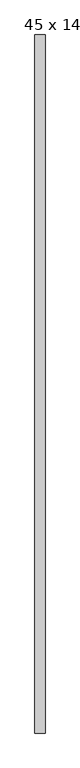
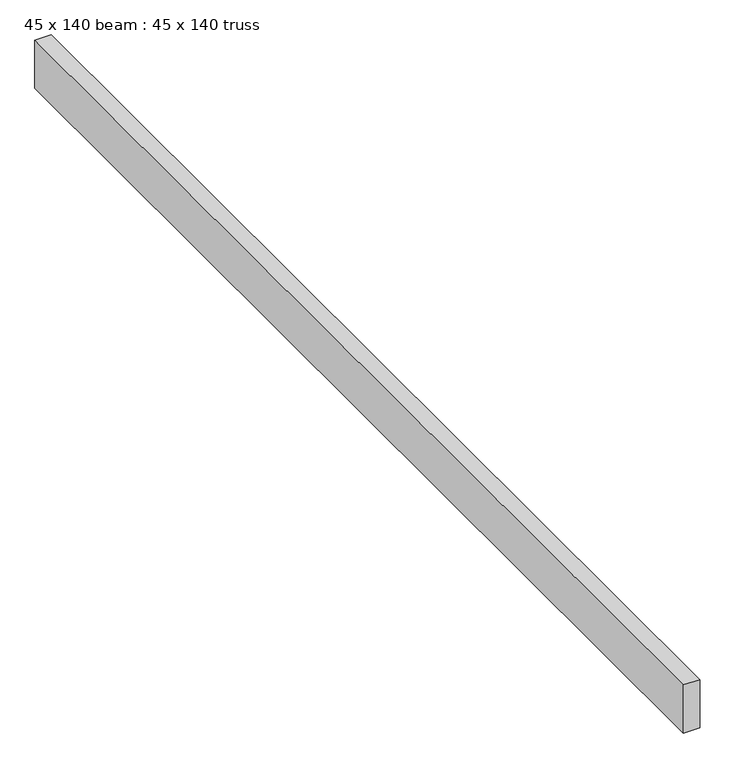
"""IFC4 building model written with IfcOpenShell, lengths in millimetres: proxy geometry, 45 x 140 beam : 45 x 140 truss."""

import ifcopenshell
import ifcopenshell.guid

model = None  # the IFC model being written
_history = None  # IfcOwnerHistory: only IFC2X3 demands one
_inside = {}  # id of a spatial element -> (the spatial element, [elements in it])
_under = {}  # id of a project, library or spatial element -> (it, [spatial elements below it])
_declared = {}  # id of a project -> (the project, [libraries it declares])
_typed = {}  # id of a type object -> (the type object, [elements of that type])
_made_of = {}  # id of a material, layer set ... -> (it, [elements and type objects made of it])


def new_model(schema):
    """Start an empty IFC model of exactly this schema.

    Asked for "IFC4X3", IfcOpenShell would pick the latest addendum, in which some entities
    have other attributes; the version numbers below select the first issue.
    IFC2X3 requires an IfcOwnerHistory on every rooted entity: one is made here for all.
    """
    global model, _history
    if schema == "IFC4X3":
        model = ifcopenshell.file(schema_version=(4, 3, 0, 0))
    else:
        model = ifcopenshell.file(schema=schema)
    _inside.clear()
    _under.clear()
    _declared.clear()
    _typed.clear()
    _made_of.clear()
    _history = None
    if model.schema == "IFC2X3":
        org = make("IfcOrganization", Name="unknown")
        user = make(
            "IfcPersonAndOrganization",
            ThePerson=make("IfcPerson", FamilyName="unknown"),
            TheOrganization=org,
        )
        app = make(
            "IfcApplication",
            ApplicationDeveloper=org,
            Version="unknown",
            ApplicationFullName="unknown",
            ApplicationIdentifier="unknown",
        )
        _history = make(
            "IfcOwnerHistory",
            OwningUser=user,
            OwningApplication=app,
            ChangeAction="ADDED",
            CreationDate=0,
        )
    return model


def make(cls, **values):
    """One entity of the class cls with the attributes given. An attribute that is None is left unset."""
    return model.create_entity(
        cls, **{name: value for name, value in values.items() if value is not None}
    )


def rooted(cls, **values):
    """An entity with a GlobalId (a new one), such as an element, a storey or a relation."""
    return make(cls, GlobalId=ifcopenshell.guid.new(), OwnerHistory=_history, **values)


def si_unit(unit_type, name, prefix=None):
    """IfcSIUnit, for example si_unit("LENGTHUNIT", "METRE", prefix="MILLI")."""
    return make("IfcSIUnit", UnitType=unit_type, Prefix=prefix, Name=name)


def assignment(units):
    """IfcUnitAssignment: the units of a project."""
    return None if units is None else make("IfcUnitAssignment", Units=units)


def point(xyz):
    """IfcCartesianPoint."""
    return None if xyz is None else make("IfcCartesianPoint", Coordinates=xyz)


def direction(xyz):
    """IfcDirection."""
    return None if xyz is None else make("IfcDirection", DirectionRatios=xyz)


def frame(location, z_axis=None, x_axis=None):
    """IfcAxis2Placement3D, a coordinate frame: its origin and axes. An axis left out is left unset."""
    return make(
        "IfcAxis2Placement3D",
        Location=point(location),
        Axis=direction(z_axis),
        RefDirection=direction(x_axis),
    )


def origin():
    """The frame at (0, 0, 0) with its axes left unset."""
    return frame((0.0, 0.0, 0.0))


def place(relative_to, where):
    """IfcLocalPlacement: puts the frame where relative to a parent placement (None: the world)."""
    return make(
        "IfcLocalPlacement", PlacementRelTo=relative_to, RelativePlacement=where
    )


def context(
    kind, dimensions, precision=None, world=None, true_north=None, identifier=None
):
    """IfcGeometricRepresentationContext, for example the 3D "Model" context."""
    return make(
        "IfcGeometricRepresentationContext",
        ContextIdentifier=identifier,
        ContextType=kind,
        CoordinateSpaceDimension=dimensions,
        Precision=precision,
        WorldCoordinateSystem=world,
        TrueNorth=true_north,
    )


def project(units=None, contexts=None):
    """IfcProject with its units and contexts."""
    return rooted(
        "IfcProject",
        Name="project",
        RepresentationContexts=contexts,
        UnitsInContext=assignment(units),
    )


def spatial(cls, under=None, at=None, **own):
    """A site, building, storey or space (cls), placed at a placement, below another one or the project."""
    s = rooted(cls, ObjectPlacement=at, **own)
    if under is not None:
        _under.setdefault(under.id(), (under, []))[1].append(s)
    return s


def polyline(points):
    """IfcPolyline through the points."""
    return make("IfcPolyline", Points=[point(p) for p in points])


def outline(outer, holes=None, kind="AREA"):
    """IfcArbitraryClosedProfileDef: a profile drawn as a closed curve; with holes, ...WithVoids."""
    if holes is None:
        return make("IfcArbitraryClosedProfileDef", ProfileType=kind, OuterCurve=outer)
    return make(
        "IfcArbitraryProfileDefWithVoids",
        ProfileType=kind,
        OuterCurve=outer,
        InnerCurves=holes,
    )


def extrude(swept, where, along, depth):
    """IfcExtrudedAreaSolid: the profile swept, set in the frame where, extruded along a direction by depth."""
    return make(
        "IfcExtrudedAreaSolid",
        SweptArea=swept,
        Position=where,
        ExtrudedDirection=direction(along),
        Depth=depth,
    )


def shape(context_of_items, identifier, shape_type, items):
    """IfcShapeRepresentation: the items that make up one representation, for example the "Body"."""
    return make(
        "IfcShapeRepresentation",
        ContextOfItems=context_of_items,
        RepresentationIdentifier=identifier,
        RepresentationType=shape_type,
        Items=items,
    )


def source(mapping_origin, context_of_items, identifier, shape_type, items):
    """IfcRepresentationMap: a shape defined once, which mapped items show again and again."""
    return make(
        "IfcRepresentationMap",
        MappingOrigin=mapping_origin,
        MappedRepresentation=shape(context_of_items, identifier, shape_type, items),
    )


def transform(
    local_origin,
    x_axis=None,
    y_axis=None,
    z_axis=None,
    scale=None,
    scale2=None,
    scale3=None,
    uniform=True,
):
    """IfcCartesianTransformationOperator3D, or its non-uniform kind. x_axis, y_axis, z_axis: its Axis1, 2, 3."""
    if uniform:
        return make(
            "IfcCartesianTransformationOperator3D",
            Axis1=direction(x_axis),
            Axis2=direction(y_axis),
            LocalOrigin=point(local_origin),
            Scale=scale,
            Axis3=direction(z_axis),
        )
    return make(
        "IfcCartesianTransformationOperator3DnonUniform",
        Axis1=direction(x_axis),
        Axis2=direction(y_axis),
        LocalOrigin=point(local_origin),
        Scale=scale,
        Axis3=direction(z_axis),
        Scale2=scale2,
        Scale3=scale3,
    )


def mapped(mapping_source, mapping_target):
    """IfcMappedItem: shows the shape of a source again, moved by a transform."""
    return make(
        "IfcMappedItem", MappingSource=mapping_source, MappingTarget=mapping_target
    )


def made_of(thing, what):
    """Note that an element or type object is made of a material, layer set ...; save() writes the relation."""
    if what is not None:
        _made_of.setdefault(what.id(), (what, []))[1].append(thing)
    return thing


def element(
    cls,
    number,
    at=None,
    inside=None,
    cuts=None,
    type_object=None,
    material=None,
    context=None,
    identifier="Body",
    shape_type=None,
    held_by="IfcProductDefinitionShape",
    body=None,
    shapes=None,
    **own,
):
    """One element of the class cls, such as IfcWall. Its Tag is "e" and its number.

    at: its placement. inside: the storey or other place that contains it. cuts: it is an
    opening in that element (IfcRelVoidsElement). A single representation is given by context,
    identifier, shape_type and body (its items); several are given by shapes. held_by: the class
    of the entity that holds the representations. save() writes the other relations.
    """
    e = rooted(cls, Tag="e%d" % number, ObjectPlacement=at, **own)
    if body is not None:
        shapes = [shape(context, identifier, shape_type, body)]
    if shapes is not None:
        e.Representation = make(held_by, Representations=shapes)
    if inside is not None:
        _inside.setdefault(inside.id(), (inside, []))[1].append(e)
    if cuts is not None:
        rooted(
            "IfcRelVoidsElement", RelatingBuildingElement=cuts, RelatedOpeningElement=e
        )
    if type_object is not None:
        _typed.setdefault(type_object.id(), (type_object, []))[1].append(e)
    return made_of(e, material)


def aggregate(whole, parts):
    """IfcRelAggregates: a whole, such as a stair, and the parts it consists of."""
    return rooted("IfcRelAggregates", RelatingObject=whole, RelatedObjects=parts)


def save(model, path):
    """Write the relations noted so far, then the file.

    IfcRelAggregates (storeys below a building ...), IfcRelContainedInSpatialStructure (elements
    in a storey), IfcRelDefinesByType, IfcRelAssociatesMaterial and IfcRelDeclares: one each for
    every whole, place, type object, material and project.
    """
    for whole, parts in _under.values():
        aggregate(whole, parts)
    for where, things in _inside.values():
        rooted(
            "IfcRelContainedInSpatialStructure",
            RelatedElements=things,
            RelatingStructure=where,
        )
    for kind, things in _typed.values():
        rooted("IfcRelDefinesByType", RelatedObjects=things, RelatingType=kind)
    for what, things in _made_of.values():
        rooted("IfcRelAssociatesMaterial", RelatedObjects=things, RelatingMaterial=what)
    for by, libraries in _declared.values():
        rooted("IfcRelDeclares", RelatingContext=by, RelatedDefinitions=libraries)
    model.write(path)


def proxy_45_x_140_beam_45_x_140_truss_eb234893(model_context):
    return source(origin(), model_context, "Body", "SweptSolid", [
        extrude(outline(polyline([(-11578.9072818, -1336.8874768), (-11623.9072818, -1336.8874768), (-11623.9072818, 1753.1125232), (-11578.9072818, 1753.1125232), (-11578.9072818, -1336.8874768)])), frame((0.0, 0.0, 3644.2452806), z_axis=(0.0, 0.0, 1.0), x_axis=(1.0, 0.0, 0.0)), (0.0, 0.0, 1.0), 140.0),
    ])


if __name__ == "__main__":
    model = new_model("IFC4")
    model_context = context("Model", 3, world=origin())
    ifc_project = project(units=[si_unit("LENGTHUNIT", "METRE", prefix="MILLI")], contexts=[model_context])
    site = spatial("IfcSite", under=ifc_project)
    building = spatial("IfcBuilding", under=site)
    placement = place(None, origin())
    proxy_45_x_140_beam_45_x_140_truss_shape = proxy_45_x_140_beam_45_x_140_truss_eb234893(model_context)
    element("IfcBuildingElementProxy", 1, Name="45 x 140 beam : 45 x 140 truss", ObjectType="45 x 140 beam : 45 x 140 truss", at=placement, inside=building, context=model_context, shape_type="MappedRepresentation", body=[
        mapped(proxy_45_x_140_beam_45_x_140_truss_shape, transform((0.0, 0.0, 0.0), x_axis=(1.0, 0.0, 0.0), y_axis=(0.0, 1.0, 0.0), z_axis=(0.0, 0.0, 1.0))),
    ])
    save(model, "model.ifc")
